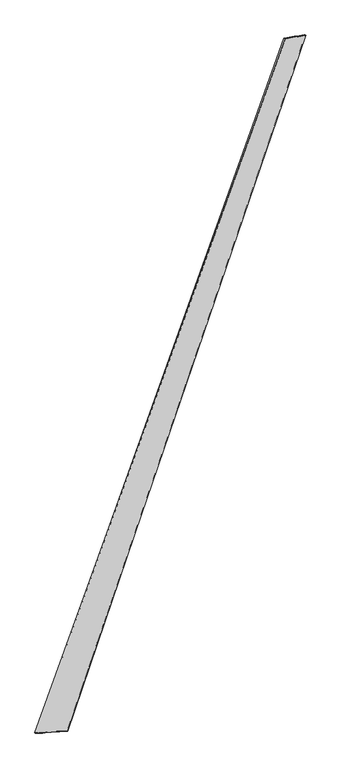
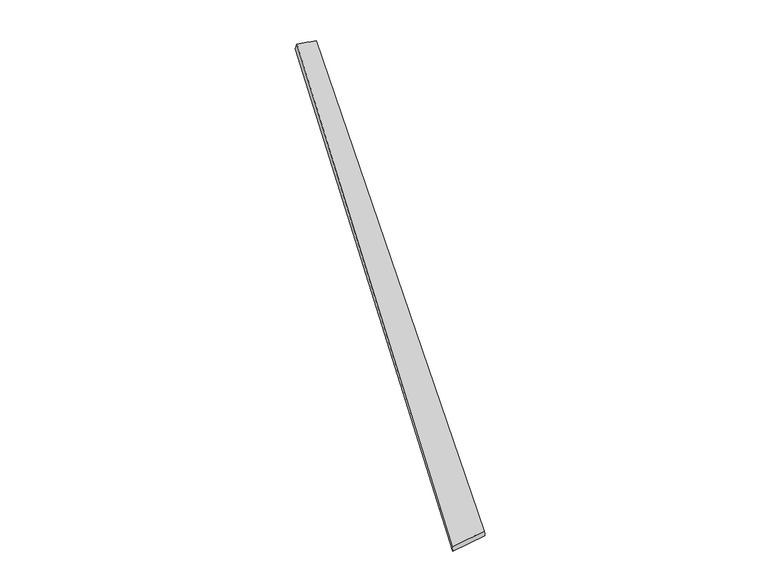
"""IFC4 building model written with IfcOpenShell, lengths in millimetres: proxy geometry."""

import ifcopenshell
import ifcopenshell.guid

model = None  # the IFC model being written
_history = None  # IfcOwnerHistory: only IFC2X3 demands one
_inside = {}  # id of a spatial element -> (the spatial element, [elements in it])
_under = {}  # id of a project, library or spatial element -> (it, [spatial elements below it])
_declared = {}  # id of a project -> (the project, [libraries it declares])
_typed = {}  # id of a type object -> (the type object, [elements of that type])
_made_of = {}  # id of a material, layer set ... -> (it, [elements and type objects made of it])


def new_model(schema):
    """Start an empty IFC model of exactly this schema.

    Asked for "IFC4X3", IfcOpenShell would pick the latest addendum, in which some entities
    have other attributes; the version numbers below select the first issue.
    IFC2X3 requires an IfcOwnerHistory on every rooted entity: one is made here for all.
    """
    global model, _history
    if schema == "IFC4X3":
        model = ifcopenshell.file(schema_version=(4, 3, 0, 0))
    else:
        model = ifcopenshell.file(schema=schema)
    _inside.clear()
    _under.clear()
    _declared.clear()
    _typed.clear()
    _made_of.clear()
    _history = None
    if model.schema == "IFC2X3":
        org = make("IfcOrganization", Name="unknown")
        user = make(
            "IfcPersonAndOrganization",
            ThePerson=make("IfcPerson", FamilyName="unknown"),
            TheOrganization=org,
        )
        app = make(
            "IfcApplication",
            ApplicationDeveloper=org,
            Version="unknown",
            ApplicationFullName="unknown",
            ApplicationIdentifier="unknown",
        )
        _history = make(
            "IfcOwnerHistory",
            OwningUser=user,
            OwningApplication=app,
            ChangeAction="ADDED",
            CreationDate=0,
        )
    return model


def make(cls, **values):
    """One entity of the class cls with the attributes given. An attribute that is None is left unset."""
    return model.create_entity(
        cls, **{name: value for name, value in values.items() if value is not None}
    )


def rooted(cls, **values):
    """An entity with a GlobalId (a new one), such as an element, a storey or a relation."""
    return make(cls, GlobalId=ifcopenshell.guid.new(), OwnerHistory=_history, **values)


def si_unit(unit_type, name, prefix=None):
    """IfcSIUnit, for example si_unit("LENGTHUNIT", "METRE", prefix="MILLI")."""
    return make("IfcSIUnit", UnitType=unit_type, Prefix=prefix, Name=name)


def assignment(units):
    """IfcUnitAssignment: the units of a project."""
    return None if units is None else make("IfcUnitAssignment", Units=units)


def point(xyz):
    """IfcCartesianPoint."""
    return None if xyz is None else make("IfcCartesianPoint", Coordinates=xyz)


def direction(xyz):
    """IfcDirection."""
    return None if xyz is None else make("IfcDirection", DirectionRatios=xyz)


def frame(location, z_axis=None, x_axis=None):
    """IfcAxis2Placement3D, a coordinate frame: its origin and axes. An axis left out is left unset."""
    return make(
        "IfcAxis2Placement3D",
        Location=point(location),
        Axis=direction(z_axis),
        RefDirection=direction(x_axis),
    )


def origin():
    """The frame at (0, 0, 0) with its axes left unset."""
    return frame((0.0, 0.0, 0.0))


def place(relative_to, where):
    """IfcLocalPlacement: puts the frame where relative to a parent placement (None: the world)."""
    return make(
        "IfcLocalPlacement", PlacementRelTo=relative_to, RelativePlacement=where
    )


def context(
    kind, dimensions, precision=None, world=None, true_north=None, identifier=None
):
    """IfcGeometricRepresentationContext, for example the 3D "Model" context."""
    return make(
        "IfcGeometricRepresentationContext",
        ContextIdentifier=identifier,
        ContextType=kind,
        CoordinateSpaceDimension=dimensions,
        Precision=precision,
        WorldCoordinateSystem=world,
        TrueNorth=true_north,
    )


def project(units=None, contexts=None):
    """IfcProject with its units and contexts."""
    return rooted(
        "IfcProject",
        Name="project",
        RepresentationContexts=contexts,
        UnitsInContext=assignment(units),
    )


def spatial(cls, under=None, at=None, **own):
    """A site, building, storey or space (cls), placed at a placement, below another one or the project."""
    s = rooted(cls, ObjectPlacement=at, **own)
    if under is not None:
        _under.setdefault(under.id(), (under, []))[1].append(s)
    return s


def shape(context_of_items, identifier, shape_type, items):
    """IfcShapeRepresentation: the items that make up one representation, for example the "Body"."""
    return make(
        "IfcShapeRepresentation",
        ContextOfItems=context_of_items,
        RepresentationIdentifier=identifier,
        RepresentationType=shape_type,
        Items=items,
    )


def source(mapping_origin, context_of_items, identifier, shape_type, items):
    """IfcRepresentationMap: a shape defined once, which mapped items show again and again."""
    return make(
        "IfcRepresentationMap",
        MappingOrigin=mapping_origin,
        MappedRepresentation=shape(context_of_items, identifier, shape_type, items),
    )


def transform(
    local_origin,
    x_axis=None,
    y_axis=None,
    z_axis=None,
    scale=None,
    scale2=None,
    scale3=None,
    uniform=True,
):
    """IfcCartesianTransformationOperator3D, or its non-uniform kind. x_axis, y_axis, z_axis: its Axis1, 2, 3."""
    if uniform:
        return make(
            "IfcCartesianTransformationOperator3D",
            Axis1=direction(x_axis),
            Axis2=direction(y_axis),
            LocalOrigin=point(local_origin),
            Scale=scale,
            Axis3=direction(z_axis),
        )
    return make(
        "IfcCartesianTransformationOperator3DnonUniform",
        Axis1=direction(x_axis),
        Axis2=direction(y_axis),
        LocalOrigin=point(local_origin),
        Scale=scale,
        Axis3=direction(z_axis),
        Scale2=scale2,
        Scale3=scale3,
    )


def mapped(mapping_source, mapping_target):
    """IfcMappedItem: shows the shape of a source again, moved by a transform."""
    return make(
        "IfcMappedItem", MappingSource=mapping_source, MappingTarget=mapping_target
    )


def made_of(thing, what):
    """Note that an element or type object is made of a material, layer set ...; save() writes the relation."""
    if what is not None:
        _made_of.setdefault(what.id(), (what, []))[1].append(thing)
    return thing


def element(
    cls,
    number,
    at=None,
    inside=None,
    cuts=None,
    type_object=None,
    material=None,
    context=None,
    identifier="Body",
    shape_type=None,
    held_by="IfcProductDefinitionShape",
    body=None,
    shapes=None,
    **own,
):
    """One element of the class cls, such as IfcWall. Its Tag is "e" and its number.

    at: its placement. inside: the storey or other place that contains it. cuts: it is an
    opening in that element (IfcRelVoidsElement). A single representation is given by context,
    identifier, shape_type and body (its items); several are given by shapes. held_by: the class
    of the entity that holds the representations. save() writes the other relations.
    """
    e = rooted(cls, Tag="e%d" % number, ObjectPlacement=at, **own)
    if body is not None:
        shapes = [shape(context, identifier, shape_type, body)]
    if shapes is not None:
        e.Representation = make(held_by, Representations=shapes)
    if inside is not None:
        _inside.setdefault(inside.id(), (inside, []))[1].append(e)
    if cuts is not None:
        rooted(
            "IfcRelVoidsElement", RelatingBuildingElement=cuts, RelatedOpeningElement=e
        )
    if type_object is not None:
        _typed.setdefault(type_object.id(), (type_object, []))[1].append(e)
    return made_of(e, material)


def aggregate(whole, parts):
    """IfcRelAggregates: a whole, such as a stair, and the parts it consists of."""
    return rooted("IfcRelAggregates", RelatingObject=whole, RelatedObjects=parts)


def save(model, path):
    """Write the relations noted so far, then the file.

    IfcRelAggregates (storeys below a building ...), IfcRelContainedInSpatialStructure (elements
    in a storey), IfcRelDefinesByType, IfcRelAssociatesMaterial and IfcRelDeclares: one each for
    every whole, place, type object, material and project.
    """
    for whole, parts in _under.values():
        aggregate(whole, parts)
    for where, things in _inside.values():
        rooted(
            "IfcRelContainedInSpatialStructure",
            RelatedElements=things,
            RelatingStructure=where,
        )
    for kind, things in _typed.values():
        rooted("IfcRelDefinesByType", RelatedObjects=things, RelatingType=kind)
    for what, things in _made_of.values():
        rooted("IfcRelAssociatesMaterial", RelatedObjects=things, RelatingMaterial=what)
    for by, libraries in _declared.values():
        rooted("IfcRelDeclares", RelatingContext=by, RelatedDefinitions=libraries)
    model.write(path)


def spline_surface(u_degree, v_degree, points, u_multiplicities, v_multiplicities, u_knots, v_knots, weights=None):
    """IfcBSplineSurfaceWithKnots; with weights, IfcRationalBSplineSurfaceWithKnots. points: one row for each step in u."""
    own = dict(
        UDegree=u_degree,
        VDegree=v_degree,
        ControlPointsList=[[point(p) for p in row] for row in points],
        SurfaceForm="UNSPECIFIED",
        UClosed=False,
        VClosed=False,
        SelfIntersect=False,
        UMultiplicities=u_multiplicities,
        VMultiplicities=v_multiplicities,
        UKnots=u_knots,
        VKnots=v_knots,
        KnotSpec="UNSPECIFIED",
    )
    if weights is None:
        return make("IfcBSplineSurfaceWithKnots", **own)
    return make("IfcRationalBSplineSurfaceWithKnots", WeightsData=weights, **own)


def advanced_brep(points, edges, surfaces, faces):
    """IfcAdvancedBrep: a solid bounded by faces that lie on surfaces and meet in shared edges.

    An edge is (start, end): straight between two places in points (the first is 0);
    or (start, end, curve); or (start, end, curve, False) where it runs against its curve.
    A face is (place in surfaces, loops), or (place, loops, False) where it looks against
    its surface's normal. A loop lists edges by number (the first is 1), with a minus sign
    where the edge is run from its end to its start. The first loop is the outer one.
    """
    corners = [point(p) for p in points]
    vertices = [make("IfcVertexPoint", VertexGeometry=c) for c in corners]
    made = []
    for start, end, *more in edges:
        made.append(
            make(
                "IfcEdgeCurve",
                EdgeStart=vertices[start],
                EdgeEnd=vertices[end],
                EdgeGeometry=more[0] if more else make("IfcPolyline", Points=[corners[start], corners[end]]),
                SameSense=more[1] if len(more) > 1 else True,
            )
        )
    hull = []
    for where, loops, *sense in faces:
        bounds = []
        for j, loop in enumerate(loops):
            ring = [make("IfcOrientedEdge", EdgeElement=made[abs(k) - 1], Orientation=k > 0) for k in loop]
            bounds.append(
                make(
                    "IfcFaceOuterBound" if j == 0 else "IfcFaceBound",
                    Bound=make("IfcEdgeLoop", EdgeList=ring),
                    Orientation=True,
                )
            )
        hull.append(make("IfcAdvancedFace", Bounds=bounds, FaceSurface=surfaces[where], SameSense=sense[0] if sense else True))
    return make("IfcAdvancedBrep", Outer=make("IfcClosedShell", CfsFaces=hull))


def generic_models_c37c2fa8(model_context):
    return source(origin(), model_context, "Body", "AdvancedBrep", [
        advanced_brep(
        [(-768.4018592, -1946.6180434, -11.0102465), (-771.9889304, -1945.5348183, 18.754826), (766.0948862, 2308.5627603, 46.3485238), (757.267569, 2311.9183811, 17.8736527), (-574.9621196, -1935.2089874, 40.7529871), (891.1536601, 2328.5794429, 10.8941168), (-571.7343079, -1936.5100546, 10.9555299), (882.8685982, 2331.2097169, -17.8189361)],
        [
            (0, 1),
            (1, 2),
            (2, 3),
            (3, 0),
            (1, 4),
            (4, 5),
            (5, 2),
            (4, 6),
            (6, 7),
            (7, 5),
            (6, 0),
            (3, 7),
        ],
        [
            spline_surface(1, 1, [[(-768.4018592, -1946.6180434, -11.0102465), (757.267569, 2311.9183811, 17.8736527)], [(-771.9889304, -1945.5348183, 18.754826), (766.0948862, 2308.5627603, 46.3485238)]], [2, 2], [2, 2], [0.0, 1.0], [0.0, 1.0]),
            spline_surface(1, 1, [[(-771.9889304, -1945.5348183, 18.754826), (766.0948862, 2308.5627603, 46.3485238)], [(-574.9621196, -1935.2089874, 40.7529871), (891.1536601, 2328.5794429, 10.8941168)]], [2, 2], [2, 2], [0.0, 1.0], [0.0, 1.0]),
            spline_surface(1, 1, [[(-574.9621196, -1935.2089874, 40.7529871), (891.1536601, 2328.5794429, 10.8941168)], [(-571.7343079, -1936.5100546, 10.9555299), (882.8685982, 2331.2097169, -17.8189361)]], [2, 2], [2, 2], [0.0, 1.0], [0.0, 1.0]),
            spline_surface(1, 1, [[(-571.7343079, -1936.5100546, 10.9555299), (882.8685982, 2331.2097169, -17.8189361)], [(-768.4018592, -1946.6180434, -11.0102465), (757.267569, 2311.9183811, 17.8736527)]], [2, 2], [2, 2], [0.0, 1.0], [0.0, 1.0]),
            spline_surface(1, 1, [[(766.0948862, 2308.5627603, 46.3485238), (757.267569, 2311.9183811, 17.8736527)], [(891.1536601, 2328.5794429, 10.8941168), (882.8685982, 2331.2097169, -17.8189361)]], [2, 2], [2, 2], [0.0, 1.0], [0.0, 1.0]),
            spline_surface(1, 1, [[(-571.7343079, -1936.5100546, 10.9555299), (-768.4018592, -1946.6180434, -11.0102465)], [(-574.9621196, -1935.2089874, 40.7529871), (-771.9889304, -1945.5348183, 18.754826)]], [2, 2], [2, 2], [0.0, 1.0], [0.0, 1.0]),
        ],
        [
            (0, [[1, 2, 3, 4]]),
            (1, [[5, 6, 7, -2]]),
            (2, [[8, 9, 10, -6]]),
            (3, [[11, -4, 12, -9]]),
            (4, [[-3, -7, -10, -12]]),
            (5, [[-11, -8, -5, -1]]),
        ],
    ),
    ])


if __name__ == "__main__":
    model = new_model("IFC4")
    model_context = context("Model", 3, world=origin())
    ifc_project = project(units=[si_unit("LENGTHUNIT", "METRE", prefix="MILLI")], contexts=[model_context])
    site = spatial("IfcSite", under=ifc_project)
    building = spatial("IfcBuilding", under=site)
    placement = place(None, origin())
    generic_models_shape = generic_models_c37c2fa8(model_context)
    element("IfcBuildingElementProxy", 1, Name="Generic Models", at=placement, inside=building, context=model_context, shape_type="MappedRepresentation", body=[
        mapped(generic_models_shape, transform((0.0, 0.0, 0.0), x_axis=(1.0, 0.0, 0.0), y_axis=(0.0, 1.0, 0.0), z_axis=(0.0, 0.0, 1.0))),
    ])
    save(model, "model.ifc")
